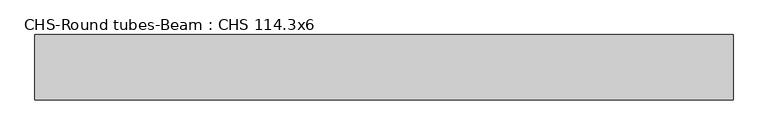
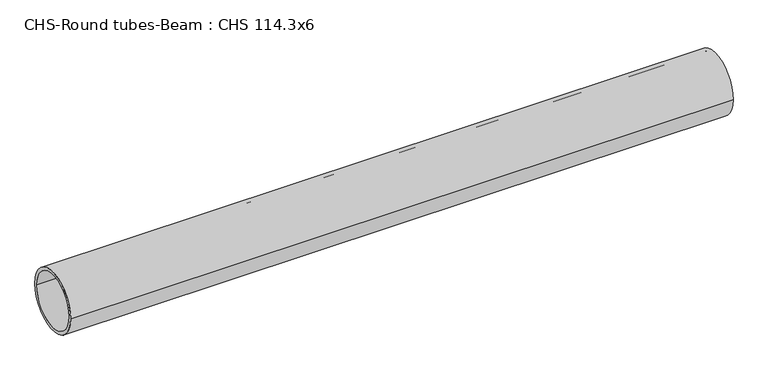
"""IFC4 building model written with IfcOpenShell, lengths in millimetres: beam geometry, CHS-Round tubes-Beam : CHS 114.3x6."""

from ifc_helpers import new_model, si_unit, point, frame, origin, origin_2d, place, context, project, spatial, circle_curve, trimmed, segment, composite_curve, outline, extrude, source, transform, mapped, element, save


def chs_round_tubes_beam_chs_114_3x6_4f84d74d(model_context):
    return source(origin(), model_context, "Body", "SweptSolid", [
        extrude(outline(composite_curve([segment(trimmed(circle_curve(origin_2d(), 57.15), [point((57.15, 0.0))], [point((-57.15, 0.0))], False, "CARTESIAN"), True, "CONTINUOUS"), segment(trimmed(circle_curve(origin_2d(), 57.15), [point((-57.15, 0.0))], [point((57.15, 0.0))], False, "CARTESIAN"), True, "CONTINUOUS")], self_intersect=False), holes=[composite_curve([segment(trimmed(circle_curve(origin_2d(), 51.15), [point((51.15, 0.0))], [point((-51.15, 0.0))], True, "CARTESIAN"), True, "CONTINUOUS"), segment(trimmed(circle_curve(origin_2d(), 51.15), [point((-51.15, 0.0))], [point((51.15, 0.0))], True, "CARTESIAN"), True, "CONTINUOUS")], self_intersect=False)]), frame((-491.1584874, 0.0, 0.0), z_axis=(1.0, 0.0, 0.0), x_axis=(0.0, 1.0, 0.0)), (0.0, 0.0, 1.0), 1222.9598223),
    ])


if __name__ == "__main__":
    model = new_model("IFC4")
    model_context = context("Model", 3, world=origin())
    ifc_project = project(units=[si_unit("LENGTHUNIT", "METRE", prefix="MILLI")], contexts=[model_context])
    site = spatial("IfcSite", under=ifc_project)
    building = spatial("IfcBuilding", under=site)
    placement = place(None, origin())
    chs_round_tubes_beam_chs_114_3x6_shape = chs_round_tubes_beam_chs_114_3x6_4f84d74d(model_context)
    element("IfcBeam", 1, ObjectType="CHS-Round tubes-Beam : CHS 114.3x6", at=placement, inside=building, context=model_context, shape_type="MappedRepresentation", body=[
        mapped(chs_round_tubes_beam_chs_114_3x6_shape, transform((0.0, 0.0, 0.0), x_axis=(1.0, 0.0, 0.0), y_axis=(0.0, 1.0, 0.0), z_axis=(0.0, 0.0, 1.0))),
    ])
    save(model, "model.ifc")
